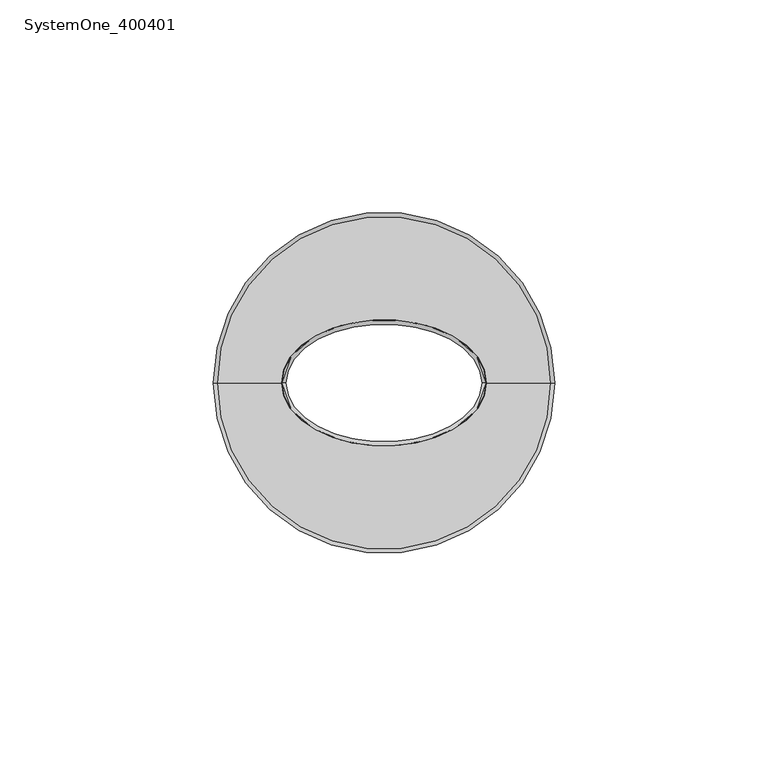
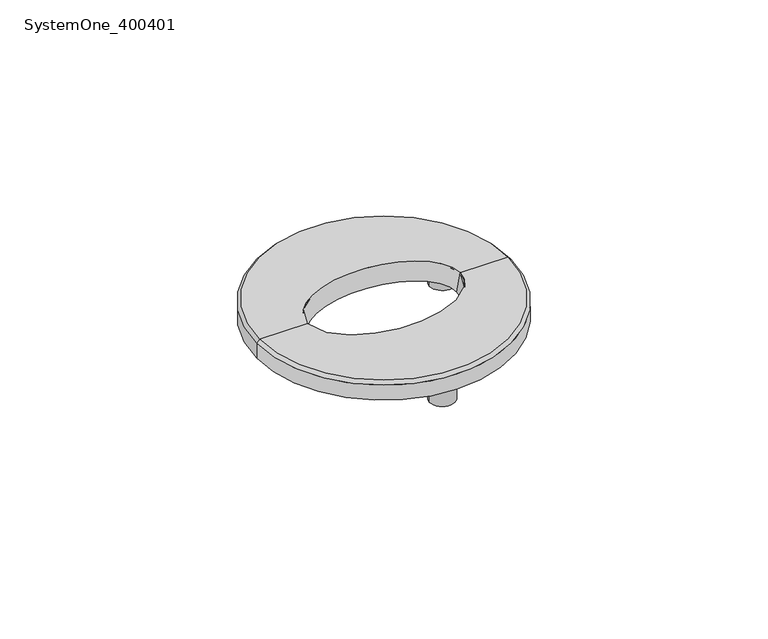
"""IFC4 building model written with IfcOpenShell, lengths in millimetres: proxy geometry, SystemOne_400401."""

from ifc_helpers import new_model, si_unit, point, frame, frame_2d, origin, place, context, project, spatial, polyline, circle_curve, ellipse_curve, trimmed, segment, composite_curve, outline, extrude, source, transform, mapped, element, save
from ifc_brep_helpers import plane_surface, cylinder_surface, revolved_surface, spline_surface, advanced_brep


def systemone_400401_c9c59159(model_context):
    return source(origin(), model_context, "Body", "SolidModel", [
        advanced_brep(
        [(-23.0, 0.0, 0.0), (-24.0, 0.0, 6.0), (24.0, 0.0, 6.0), (23.0, 0.0, 0.0), (39.0, 0.0, 6.0), (-39.0, 0.0, 6.0), (40.0, 0.0, 5.0), (-40.0, 0.0, 5.0), (40.0, 0.0, 0.0), (-40.0, 0.0, 0.0)],
        [
            (0, 1),
            (1, 2, ellipse_curve(frame((0.0, 0.0, 6.0), z_axis=(0.0, 0.0, 1.0), x_axis=(1.0, 0.0, 0.0)), 24.0, 14.8)),
            (2, 3),
            (3, 0, ellipse_curve(frame((0.0, 0.0, 0.0), z_axis=(0.0, 0.0, -1.0), x_axis=(1.0, 0.0, 0.0)), 23.0, 13.8)),
            (0, 3, ellipse_curve(frame((0.0, 0.0, 0.0), z_axis=(0.0, 0.0, -1.0), x_axis=(1.0, 0.0, 0.0)), 23.0, 13.8)),
            (2, 1, ellipse_curve(frame((0.0, 0.0, 6.0), z_axis=(0.0, 0.0, 1.0), x_axis=(1.0, 0.0, 0.0)), 24.0, 14.8)),
            (4, 5, circle_curve(frame((0.0, 0.0, 6.0), z_axis=(0.0, 0.0, 1.0), x_axis=(-1.0, 0.0, 0.0)), 39.0)),
            (5, 1),
            (2, 4),
            (5, 4, circle_curve(frame((0.0, 0.0, 6.0), z_axis=(0.0, 0.0, 1.0), x_axis=(-1.0, 0.0, 0.0)), 39.0)),
            (4, 6),
            (6, 7, circle_curve(frame((0.0, 0.0, 5.0), z_axis=(0.0, 0.0, 1.0), x_axis=(-1.0, 0.0, 0.0)), 40.0)),
            (7, 5),
            (7, 6, circle_curve(frame((0.0, 0.0, 5.0), z_axis=(0.0, 0.0, 1.0), x_axis=(-1.0, 0.0, 0.0)), 40.0)),
            (6, 8),
            (8, 9, circle_curve(frame((0.0, 0.0, 0.0), z_axis=(0.0, 0.0, 1.0), x_axis=(-1.0, 0.0, 0.0)), 40.0)),
            (9, 7),
            (9, 8, circle_curve(frame((0.0, 0.0, 0.0), z_axis=(0.0, 0.0, 1.0), x_axis=(-1.0, 0.0, 0.0)), 40.0)),
            (8, 3),
            (0, 9),
        ],
        [
            spline_surface(1, 2, [[(-23.0, 0.0, 0.0), (-23.0, -13.8, 0.0), (0.0, -13.8, 0.0), (23.0, -13.8, 0.0), (23.0, 0.0, 0.0)], [(-24.0, 0.0, 6.0), (-24.0, -14.8, 6.0), (0.0, -14.8, 6.0), (24.0, -14.8, 6.0), (24.0, 0.0, 6.0)]], [2, 2], [3, 2, 3], [0.0, 1.0], [0.0, 1.0, 2.0], weights=[[1.0, 0.7071067811865476, 1.0, 0.7071067811865476, 1.0], [1.0, 0.7071067811865476, 1.0, 0.7071067811865476, 1.0]]),
            spline_surface(1, 2, [[(23.0, 0.0, 0.0), (23.0, 13.8, 0.0), (0.0, 13.8, 0.0), (-23.0, 13.8, 0.0), (-23.0, 0.0, 0.0)], [(24.0, 0.0, 6.0), (24.0, 14.8, 6.0), (0.0, 14.8, 6.0), (-24.0, 14.8, 6.0), (-24.0, 0.0, 6.0)]], [2, 2], [3, 2, 3], [0.0, 1.0], [0.0, 1.0, 2.0], weights=[[1.0, 0.7071067811865476, 1.0, 0.7071067811865476, 1.0], [1.0, 0.7071067811865476, 1.0, 0.7071067811865476, 1.0]]),
            plane_surface(frame((0.0, 0.0, 6.0), z_axis=(0.0, 0.0, 1.0), x_axis=(-1.0, 0.0, 0.0))),
            revolved_surface(polyline([(-39.0, 0.0, 6.0), (-40.0, 0.0, 5.0)]), (0.0, 0.0, 7.6550968), (0.0, 0.0, -1.0)),
            cylinder_surface(frame((0.0, 0.0, 7.6550968), z_axis=(0.0, 0.0, -1.0), x_axis=(-1.0, 0.0, 0.0)), 40.0),
            plane_surface(frame((0.0, 0.0, 0.0), z_axis=(0.0, 0.0, -1.0), x_axis=(-1.0, 0.0, 0.0))),
        ],
        [
            (0, [[1, 2, 3, 4]]),
            (1, [[-1, 5, -3, 6]]),
            (2, [[7, 8, -6, 9]]),
            (2, [[10, -9, -2, -8]]),
            (3, [[-7, 11, 12, 13]]),
            (3, [[-10, -13, 14, -11]]),
            (4, [[-12, 15, 16, 17]]),
            (4, [[-14, -17, 18, -15]]),
            (5, [[-16, 19, -5, 20]]),
            (5, [[-18, -20, -4, -19]]),
        ],
    ),
        extrude(outline(composite_curve([segment(trimmed(circle_curve(frame_2d((-27.5396078, 15.9)), 4.0), [point((-31.5396078, 15.9))], [point((-23.5396078, 15.9))], False, "CARTESIAN"), True, "CONTINUOUS"), segment(trimmed(circle_curve(frame_2d((-27.5396078, 15.9)), 4.0), [point((-23.5396078, 15.9))], [point((-31.5396078, 15.9))], False, "CARTESIAN"), True, "CONTINUOUS")], self_intersect=False)), frame((0.0, 0.0, -8.0), z_axis=(0.0, 0.0, 1.0), x_axis=(1.0, 0.0, 0.0)), (0.0, 0.0, 1.0), 8.0),
        extrude(outline(composite_curve([segment(trimmed(circle_curve(frame_2d((27.5396078, 15.9)), 4.0), [point((23.5396078, 15.9))], [point((31.5396078, 15.9))], False, "CARTESIAN"), True, "CONTINUOUS"), segment(trimmed(circle_curve(frame_2d((27.5396078, 15.9)), 4.0), [point((31.5396078, 15.9))], [point((23.5396078, 15.9))], False, "CARTESIAN"), True, "CONTINUOUS")], self_intersect=False)), frame((0.0, 0.0, -8.0), z_axis=(0.0, 0.0, 1.0), x_axis=(1.0, 0.0, 0.0)), (0.0, 0.0, 1.0), 8.0),
        extrude(outline(composite_curve([segment(trimmed(circle_curve(frame_2d((0.0, -31.8)), 4.0), [point((-4.0, -31.8))], [point((4.0, -31.8))], False, "CARTESIAN"), True, "CONTINUOUS"), segment(trimmed(circle_curve(frame_2d((0.0, -31.8)), 4.0), [point((4.0, -31.8))], [point((-4.0, -31.8))], False, "CARTESIAN"), True, "CONTINUOUS")], self_intersect=False)), frame((0.0, 0.0, -8.0), z_axis=(0.0, 0.0, 1.0), x_axis=(1.0, 0.0, 0.0)), (0.0, 0.0, 1.0), 8.0),
    ])


if __name__ == "__main__":
    model = new_model("IFC4")
    model_context = context("Model", 3, world=origin())
    ifc_project = project(units=[si_unit("LENGTHUNIT", "METRE", prefix="MILLI")], contexts=[model_context])
    site = spatial("IfcSite", under=ifc_project)
    building = spatial("IfcBuilding", under=site)
    placement = place(None, origin())
    systemone_400401_shape = systemone_400401_c9c59159(model_context)
    element("IfcBuildingElementProxy", 1, Name="SystemOne_400401", ObjectType="SystemOne_400401", at=placement, inside=building, context=model_context, shape_type="MappedRepresentation", body=[
        mapped(systemone_400401_shape, transform((0.0, 0.0, 0.0), x_axis=(1.0, 0.0, 0.0), y_axis=(0.0, 1.0, 0.0), z_axis=(0.0, 0.0, 1.0))),
    ])
    save(model, "model.ifc")
